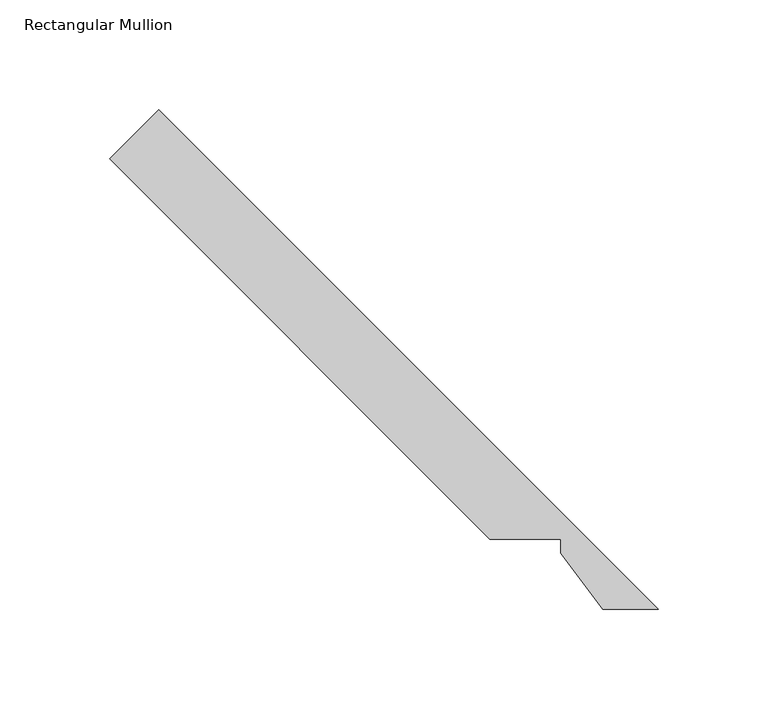
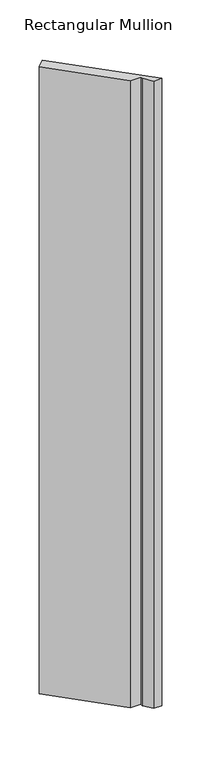
"""IFC4 building model written with IfcOpenShell, lengths in millimetres: member geometry, Rectangular Mullion."""

from ifc_helpers import new_model, si_unit, frame, origin, place, context, project, spatial, polyline, outline, extrude, source, transform, mapped, element, save


def rectangular_mullion_3aac726c(model_context):
    return source(origin(), model_context, "Body", "SweptSolid", [
        extrude(outline(polyline([(-95.7383879, 50.831933), (-269.2113072, 224.3100265), (-246.7593733, 246.7619604), (-18.853481, 18.853481), (-44.1285825, 18.853481), (-63.303481, 44.481933), (-63.303481, 50.831933), (-95.7383879, 50.831933)])), frame((0.0, 0.0, -1993.8999999), z_axis=(0.0, 0.0, 1.0), x_axis=(1.0, 0.0, 0.0)), (0.0, 0.0, 1.0), 1993.8999999),
    ])


if __name__ == "__main__":
    model = new_model("IFC4")
    model_context = context("Model", 3, world=origin())
    ifc_project = project(units=[si_unit("LENGTHUNIT", "METRE", prefix="MILLI")], contexts=[model_context])
    site = spatial("IfcSite", under=ifc_project)
    building = spatial("IfcBuilding", under=site)
    placement = place(None, origin())
    rectangular_mullion_shape = rectangular_mullion_3aac726c(model_context)
    element("IfcMember", 1, ObjectType="Rectangular Mullion", at=placement, inside=building, context=model_context, shape_type="MappedRepresentation", body=[
        mapped(rectangular_mullion_shape, transform((0.0, 0.0, 0.0), x_axis=(1.0, 0.0, 0.0), y_axis=(0.0, 1.0, 0.0), z_axis=(0.0, 0.0, 1.0))),
    ])
    save(model, "model.ifc")
